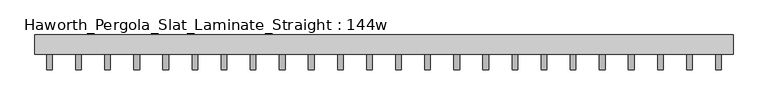
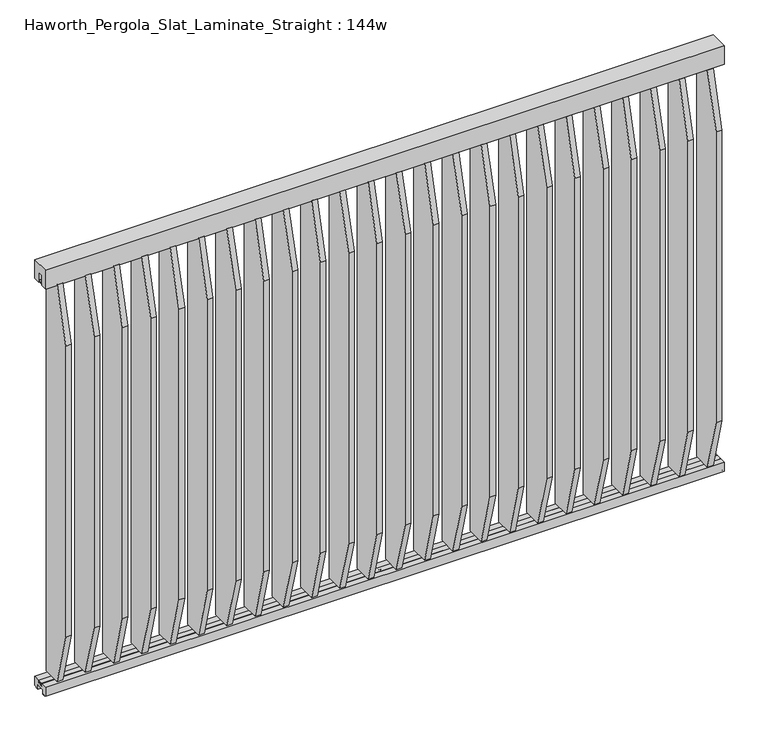
"""IFC4 building model written with IfcOpenShell, lengths in millimetres: furniture geometry, Haworth_Pergola_Slat_Laminate_Straight : 144w."""

from ifc_helpers import new_model, si_unit, point, frame, frame_2d, origin, place, context, project, spatial, polyline, circle_curve, trimmed, segment, composite_curve, outline, extrude, source, transform, mapped, element, save


def haworth_pergola_slat_laminate_straight_144w_210961f3(model_context):
    return source(origin(), model_context, "Body", "SweptSolid", [
        extrude(outline(polyline([(-50.8, 2438.4), (50.8, 2438.4), (50.8, 2331.8390625), (15.2182948, 2331.8390625), (15.2182948, 2388.7001663), (-15.2182948, 2388.7001663), (-15.2182948, 2331.8390625), (-50.8, 2331.8390625), (-50.8, 2438.4)])), frame((-1790.7, 0.0, 0.0), z_axis=(1.0, 0.0, 0.0), x_axis=(0.0, 1.0, 0.0)), (0.0, 0.0, 1.0), 3657.6),
        extrude(outline(polyline([(-132.3000005, 2029.1656369), (-50.7895063, 2332.0547554), (50.8000016, 2332.0547554), (50.8000016, 68.6766304), (-50.7894893, 68.6766304), (-132.3000005, 371.5656885), (-132.3000005, 2029.1656369)])), frame((1623.3000003, 0.0, 0.0), z_axis=(1.0, 0.0, 0.0), x_axis=(0.0, 1.0, 0.0)), (0.0, 0.0, 1.0), 29.9999997),
        extrude(outline(composite_curve([segment(trimmed(circle_curve(frame_2d((1638.3000001, 1e-07)), 6.0), [point((1632.3000001, 1e-07))], [point((1644.3000001, 1e-07))], False, "CARTESIAN"), True, "CONTINUOUS"), segment(trimmed(circle_curve(frame_2d((1638.3000001, 1e-07)), 6.0), [point((1644.3000001, 1e-07))], [point((1632.3000001, 1e-07))], False, "CARTESIAN"), True, "CONTINUOUS")], self_intersect=False)), frame((0.0, 0.0, 2332.0547554), z_axis=(0.0, 0.0, 1.0), x_axis=(1.0, 0.0, 0.0)), (0.0, 0.0, 1.0), 4.9609375),
        extrude(outline(composite_curve([segment(trimmed(circle_curve(frame_2d((1638.3000001, 1e-07)), 6.0), [point((1632.3000001, 1e-07))], [point((1644.3000001, 1e-07))], False, "CARTESIAN"), True, "CONTINUOUS"), segment(trimmed(circle_curve(frame_2d((1638.3000001, 1e-07)), 6.0), [point((1644.3000001, 1e-07))], [point((1632.3000001, 1e-07))], False, "CARTESIAN"), True, "CONTINUOUS")], self_intersect=False)), frame((0.0, 0.0, 63.7156929), z_axis=(0.0, 0.0, 1.0), x_axis=(1.0, 0.0, 0.0)), (0.0, 0.0, 1.0), 4.9609375),
        extrude(outline(polyline([(-132.3000005, 2029.3813298), (-50.7895063, 2332.2704484), (50.8000016, 2332.2704484), (50.8000016, 68.8923234), (-50.7894893, 68.8923234), (-132.3000005, 371.7813814), (-132.3000005, 2029.3813298)])), frame((1470.9000003, 0.0, 0.0), z_axis=(1.0, 0.0, 0.0), x_axis=(0.0, 1.0, 0.0)), (0.0, 0.0, 1.0), 29.9999997),
        extrude(outline(composite_curve([segment(trimmed(circle_curve(frame_2d((1485.9000001, 1e-07)), 6.0), [point((1479.9000001, 1e-07))], [point((1491.9000001, 1e-07))], False, "CARTESIAN"), True, "CONTINUOUS"), segment(trimmed(circle_curve(frame_2d((1485.9000001, 1e-07)), 6.0), [point((1491.9000001, 1e-07))], [point((1479.9000001, 1e-07))], False, "CARTESIAN"), True, "CONTINUOUS")], self_intersect=False)), frame((0.0, 0.0, 2332.2704484), z_axis=(0.0, 0.0, 1.0), x_axis=(1.0, 0.0, 0.0)), (0.0, 0.0, 1.0), 4.9609375),
        extrude(outline(composite_curve([segment(trimmed(circle_curve(frame_2d((1485.9000001, 1e-07)), 6.0), [point((1479.9000001, 1e-07))], [point((1491.9000001, 1e-07))], False, "CARTESIAN"), True, "CONTINUOUS"), segment(trimmed(circle_curve(frame_2d((1485.9000001, 1e-07)), 6.0), [point((1491.9000001, 1e-07))], [point((1479.9000001, 1e-07))], False, "CARTESIAN"), True, "CONTINUOUS")], self_intersect=False)), frame((0.0, 0.0, 63.9313859), z_axis=(0.0, 0.0, 1.0), x_axis=(1.0, 0.0, 0.0)), (0.0, 0.0, 1.0), 4.9609375),
        extrude(outline(polyline([(-132.3000005, 2029.5970227), (-50.7895063, 2332.4861413), (50.8000016, 2332.4861413), (50.8000016, 69.1080163), (-50.7894893, 69.1080163), (-132.3000005, 371.9970743), (-132.3000005, 2029.5970227)])), frame((1318.5000003, 0.0, 0.0), z_axis=(1.0, 0.0, 0.0), x_axis=(0.0, 1.0, 0.0)), (0.0, 0.0, 1.0), 29.9999997),
        extrude(outline(composite_curve([segment(trimmed(circle_curve(frame_2d((1333.5000001, 1e-07)), 6.0), [point((1327.5000001, 1e-07))], [point((1339.5000001, 1e-07))], False, "CARTESIAN"), True, "CONTINUOUS"), segment(trimmed(circle_curve(frame_2d((1333.5000001, 1e-07)), 6.0), [point((1339.5000001, 1e-07))], [point((1327.5000001, 1e-07))], False, "CARTESIAN"), True, "CONTINUOUS")], self_intersect=False)), frame((0.0, 0.0, 2332.4861413), z_axis=(0.0, 0.0, 1.0), x_axis=(1.0, 0.0, 0.0)), (0.0, 0.0, 1.0), 4.9609375),
        extrude(outline(composite_curve([segment(trimmed(circle_curve(frame_2d((1333.5000001, 1e-07)), 6.0), [point((1327.5000001, 1e-07))], [point((1339.5000001, 1e-07))], False, "CARTESIAN"), True, "CONTINUOUS"), segment(trimmed(circle_curve(frame_2d((1333.5000001, 1e-07)), 6.0), [point((1339.5000001, 1e-07))], [point((1327.5000001, 1e-07))], False, "CARTESIAN"), True, "CONTINUOUS")], self_intersect=False)), frame((0.0, 0.0, 64.1470788), z_axis=(0.0, 0.0, 1.0), x_axis=(1.0, 0.0, 0.0)), (0.0, 0.0, 1.0), 4.9609375),
        extrude(outline(polyline([(-132.3000005, 2029.8127157), (-50.7895063, 2332.7018342), (50.8000016, 2332.7018342), (50.8000016, 69.3237092), (-50.7894893, 69.3237092), (-132.3000005, 372.2127673), (-132.3000005, 2029.8127157)])), frame((1166.1000003, 0.0, 0.0), z_axis=(1.0, 0.0, 0.0), x_axis=(0.0, 1.0, 0.0)), (0.0, 0.0, 1.0), 29.9999997),
        extrude(outline(composite_curve([segment(trimmed(circle_curve(frame_2d((1181.1000001, 1e-07)), 6.0), [point((1175.1000001, 1e-07))], [point((1187.1000001, 1e-07))], False, "CARTESIAN"), True, "CONTINUOUS"), segment(trimmed(circle_curve(frame_2d((1181.1000001, 1e-07)), 6.0), [point((1187.1000001, 1e-07))], [point((1175.1000001, 1e-07))], False, "CARTESIAN"), True, "CONTINUOUS")], self_intersect=False)), frame((0.0, 0.0, 2332.7018342), z_axis=(0.0, 0.0, 1.0), x_axis=(1.0, 0.0, 0.0)), (0.0, 0.0, 1.0), 4.9609375),
        extrude(outline(composite_curve([segment(trimmed(circle_curve(frame_2d((1181.1000001, 1e-07)), 6.0), [point((1175.1000001, 1e-07))], [point((1187.1000001, 1e-07))], False, "CARTESIAN"), True, "CONTINUOUS"), segment(trimmed(circle_curve(frame_2d((1181.1000001, 1e-07)), 6.0), [point((1187.1000001, 1e-07))], [point((1175.1000001, 1e-07))], False, "CARTESIAN"), True, "CONTINUOUS")], self_intersect=False)), frame((0.0, 0.0, 64.3627717), z_axis=(0.0, 0.0, 1.0), x_axis=(1.0, 0.0, 0.0)), (0.0, 0.0, 1.0), 4.9609375),
        extrude(outline(polyline([(-132.3000005, 2030.0284086), (-50.7895063, 2332.9175272), (50.8000016, 2332.9175272), (50.8000016, 69.5394022), (-50.7894893, 69.5394022), (-132.3000005, 372.4284602), (-132.3000005, 2030.0284086)])), frame((1013.7000003, 0.0, 0.0), z_axis=(1.0, 0.0, 0.0), x_axis=(0.0, 1.0, 0.0)), (0.0, 0.0, 1.0), 29.9999997),
        extrude(outline(composite_curve([segment(trimmed(circle_curve(frame_2d((1028.7000001, 1e-07)), 6.0), [point((1022.7000001, 1e-07))], [point((1034.7000001, 1e-07))], False, "CARTESIAN"), True, "CONTINUOUS"), segment(trimmed(circle_curve(frame_2d((1028.7000001, 1e-07)), 6.0), [point((1034.7000001, 1e-07))], [point((1022.7000001, 1e-07))], False, "CARTESIAN"), True, "CONTINUOUS")], self_intersect=False)), frame((0.0, 0.0, 2332.9175272), z_axis=(0.0, 0.0, 1.0), x_axis=(1.0, 0.0, 0.0)), (0.0, 0.0, 1.0), 4.9609375),
        extrude(outline(composite_curve([segment(trimmed(circle_curve(frame_2d((1028.7000001, 1e-07)), 6.0), [point((1022.7000001, 1e-07))], [point((1034.7000001, 1e-07))], False, "CARTESIAN"), True, "CONTINUOUS"), segment(trimmed(circle_curve(frame_2d((1028.7000001, 1e-07)), 6.0), [point((1034.7000001, 1e-07))], [point((1022.7000001, 1e-07))], False, "CARTESIAN"), True, "CONTINUOUS")], self_intersect=False)), frame((0.0, 0.0, 64.5784647), z_axis=(0.0, 0.0, 1.0), x_axis=(1.0, 0.0, 0.0)), (0.0, 0.0, 1.0), 4.9609375),
        extrude(outline(polyline([(-132.3000005, 2030.2441015), (-50.7895063, 2333.1332201), (50.8000016, 2333.1332201), (50.8000016, 69.7550951), (-50.7894893, 69.7550951), (-132.3000005, 372.6441531), (-132.3000005, 2030.2441015)])), frame((861.3000003, 0.0, 0.0), z_axis=(1.0, 0.0, 0.0), x_axis=(0.0, 1.0, 0.0)), (0.0, 0.0, 1.0), 29.9999997),
        extrude(outline(composite_curve([segment(trimmed(circle_curve(frame_2d((876.3000001, 1e-07)), 6.0), [point((870.3000001, 1e-07))], [point((882.3000001, 1e-07))], False, "CARTESIAN"), True, "CONTINUOUS"), segment(trimmed(circle_curve(frame_2d((876.3000001, 1e-07)), 6.0), [point((882.3000001, 1e-07))], [point((870.3000001, 1e-07))], False, "CARTESIAN"), True, "CONTINUOUS")], self_intersect=False)), frame((0.0, 0.0, 2333.1332201), z_axis=(0.0, 0.0, 1.0), x_axis=(1.0, 0.0, 0.0)), (0.0, 0.0, 1.0), 4.9609375),
        extrude(outline(composite_curve([segment(trimmed(circle_curve(frame_2d((876.3000001, 1e-07)), 6.0), [point((870.3000001, 1e-07))], [point((882.3000001, 1e-07))], False, "CARTESIAN"), True, "CONTINUOUS"), segment(trimmed(circle_curve(frame_2d((876.3000001, 1e-07)), 6.0), [point((882.3000001, 1e-07))], [point((870.3000001, 1e-07))], False, "CARTESIAN"), True, "CONTINUOUS")], self_intersect=False)), frame((0.0, 0.0, 64.7941576), z_axis=(0.0, 0.0, 1.0), x_axis=(1.0, 0.0, 0.0)), (0.0, 0.0, 1.0), 4.9609375),
        extrude(outline(polyline([(-132.3000005, 2030.4597945), (-50.7895063, 2333.348913), (50.8000016, 2333.348913), (50.8000016, 69.970788), (-50.7894893, 69.970788), (-132.3000005, 372.8598461), (-132.3000005, 2030.4597945)])), frame((708.9000003, 0.0, 0.0), z_axis=(1.0, 0.0, 0.0), x_axis=(0.0, 1.0, 0.0)), (0.0, 0.0, 1.0), 29.9999997),
        extrude(outline(composite_curve([segment(trimmed(circle_curve(frame_2d((723.9000001, 1e-07)), 6.0), [point((717.9000001, 1e-07))], [point((729.9000001, 1e-07))], False, "CARTESIAN"), True, "CONTINUOUS"), segment(trimmed(circle_curve(frame_2d((723.9000001, 1e-07)), 6.0), [point((729.9000001, 1e-07))], [point((717.9000001, 1e-07))], False, "CARTESIAN"), True, "CONTINUOUS")], self_intersect=False)), frame((0.0, 0.0, 2333.348913), z_axis=(0.0, 0.0, 1.0), x_axis=(1.0, 0.0, 0.0)), (0.0, 0.0, 1.0), 4.9609375),
        extrude(outline(composite_curve([segment(trimmed(circle_curve(frame_2d((723.9000001, 1e-07)), 6.0), [point((717.9000001, 1e-07))], [point((729.9000001, 1e-07))], False, "CARTESIAN"), True, "CONTINUOUS"), segment(trimmed(circle_curve(frame_2d((723.9000001, 1e-07)), 6.0), [point((729.9000001, 1e-07))], [point((717.9000001, 1e-07))], False, "CARTESIAN"), True, "CONTINUOUS")], self_intersect=False)), frame((0.0, 0.0, 65.0098505), z_axis=(0.0, 0.0, 1.0), x_axis=(1.0, 0.0, 0.0)), (0.0, 0.0, 1.0), 4.9609375),
        extrude(outline(polyline([(-132.3000005, 2030.6754874), (-50.7895063, 2333.564606), (50.8000016, 2333.564606), (50.8000016, 70.186481), (-50.7894893, 70.186481), (-132.3000005, 373.075539), (-132.3000005, 2030.6754874)])), frame((556.5000003, 0.0, 0.0), z_axis=(1.0, 0.0, 0.0), x_axis=(0.0, 1.0, 0.0)), (0.0, 0.0, 1.0), 29.9999997),
        extrude(outline(composite_curve([segment(trimmed(circle_curve(frame_2d((571.5000001, 1e-07)), 6.0), [point((565.5000001, 1e-07))], [point((577.5000001, 1e-07))], False, "CARTESIAN"), True, "CONTINUOUS"), segment(trimmed(circle_curve(frame_2d((571.5000001, 1e-07)), 6.0), [point((577.5000001, 1e-07))], [point((565.5000001, 1e-07))], False, "CARTESIAN"), True, "CONTINUOUS")], self_intersect=False)), frame((0.0, 0.0, 2333.564606), z_axis=(0.0, 0.0, 1.0), x_axis=(1.0, 0.0, 0.0)), (0.0, 0.0, 1.0), 4.9609375),
        extrude(outline(composite_curve([segment(trimmed(circle_curve(frame_2d((571.5000001, 1e-07)), 6.0), [point((565.5000001, 1e-07))], [point((577.5000001, 1e-07))], False, "CARTESIAN"), True, "CONTINUOUS"), segment(trimmed(circle_curve(frame_2d((571.5000001, 1e-07)), 6.0), [point((577.5000001, 1e-07))], [point((565.5000001, 1e-07))], False, "CARTESIAN"), True, "CONTINUOUS")], self_intersect=False)), frame((0.0, 0.0, 65.2255435), z_axis=(0.0, 0.0, 1.0), x_axis=(1.0, 0.0, 0.0)), (0.0, 0.0, 1.0), 4.9609375),
        extrude(outline(polyline([(-132.3000005, 2030.8911803), (-50.7895063, 2333.7802989), (50.8000016, 2333.7802989), (50.8000016, 70.4021739), (-50.7894893, 70.4021739), (-132.3000005, 373.2912319), (-132.3000005, 2030.8911803)])), frame((404.1000003, 0.0, 0.0), z_axis=(1.0, 0.0, 0.0), x_axis=(0.0, 1.0, 0.0)), (0.0, 0.0, 1.0), 29.9999997),
        extrude(outline(composite_curve([segment(trimmed(circle_curve(frame_2d((419.1000001, 1e-07)), 6.0), [point((413.1000001, 1e-07))], [point((425.1000001, 1e-07))], False, "CARTESIAN"), True, "CONTINUOUS"), segment(trimmed(circle_curve(frame_2d((419.1000001, 1e-07)), 6.0), [point((425.1000001, 1e-07))], [point((413.1000001, 1e-07))], False, "CARTESIAN"), True, "CONTINUOUS")], self_intersect=False)), frame((0.0, 0.0, 2333.7802989), z_axis=(0.0, 0.0, 1.0), x_axis=(1.0, 0.0, 0.0)), (0.0, 0.0, 1.0), 4.9609375),
        extrude(outline(composite_curve([segment(trimmed(circle_curve(frame_2d((419.1000001, 1e-07)), 6.0), [point((413.1000001, 1e-07))], [point((425.1000001, 1e-07))], False, "CARTESIAN"), True, "CONTINUOUS"), segment(trimmed(circle_curve(frame_2d((419.1000001, 1e-07)), 6.0), [point((425.1000001, 1e-07))], [point((413.1000001, 1e-07))], False, "CARTESIAN"), True, "CONTINUOUS")], self_intersect=False)), frame((0.0, 0.0, 65.4412364), z_axis=(0.0, 0.0, 1.0), x_axis=(1.0, 0.0, 0.0)), (0.0, 0.0, 1.0), 4.9609375),
        extrude(outline(polyline([(-132.3000005, 2031.1068733), (-50.7895063, 2333.9959918), (50.8000016, 2333.9959918), (50.8000016, 70.6178668), (-50.7894893, 70.6178668), (-132.3000005, 373.5069249), (-132.3000005, 2031.1068733)])), frame((251.7000003, 0.0, 0.0), z_axis=(1.0, 0.0, 0.0), x_axis=(0.0, 1.0, 0.0)), (0.0, 0.0, 1.0), 29.9999997),
        extrude(outline(composite_curve([segment(trimmed(circle_curve(frame_2d((266.7000001, 1e-07)), 6.0), [point((260.7000001, 1e-07))], [point((272.7000001, 1e-07))], False, "CARTESIAN"), True, "CONTINUOUS"), segment(trimmed(circle_curve(frame_2d((266.7000001, 1e-07)), 6.0), [point((272.7000001, 1e-07))], [point((260.7000001, 1e-07))], False, "CARTESIAN"), True, "CONTINUOUS")], self_intersect=False)), frame((0.0, 0.0, 2333.9959918), z_axis=(0.0, 0.0, 1.0), x_axis=(1.0, 0.0, 0.0)), (0.0, 0.0, 1.0), 4.9609375),
        extrude(outline(composite_curve([segment(trimmed(circle_curve(frame_2d((266.7000001, 1e-07)), 6.0), [point((260.7000001, 1e-07))], [point((272.7000001, 1e-07))], False, "CARTESIAN"), True, "CONTINUOUS"), segment(trimmed(circle_curve(frame_2d((266.7000001, 1e-07)), 6.0), [point((272.7000001, 1e-07))], [point((260.7000001, 1e-07))], False, "CARTESIAN"), True, "CONTINUOUS")], self_intersect=False)), frame((0.0, 0.0, 65.6569293), z_axis=(0.0, 0.0, 1.0), x_axis=(1.0, 0.0, 0.0)), (0.0, 0.0, 1.0), 4.9609375),
        extrude(outline(polyline([(-132.3000005, 2031.3225662), (-50.7895063, 2334.2116848), (50.8000016, 2334.2116848), (50.8000016, 70.8335598), (-50.7894893, 70.8335598), (-132.3000005, 373.7226178), (-132.3000005, 2031.3225662)])), frame((99.3000003, 0.0, 0.0), z_axis=(1.0, 0.0, 0.0), x_axis=(0.0, 1.0, 0.0)), (0.0, 0.0, 1.0), 29.9999997),
        extrude(outline(composite_curve([segment(trimmed(circle_curve(frame_2d((114.3000001, 1e-07)), 6.0), [point((108.3000001, 1e-07))], [point((120.3000001, 1e-07))], False, "CARTESIAN"), True, "CONTINUOUS"), segment(trimmed(circle_curve(frame_2d((114.3000001, 1e-07)), 6.0), [point((120.3000001, 1e-07))], [point((108.3000001, 1e-07))], False, "CARTESIAN"), True, "CONTINUOUS")], self_intersect=False)), frame((0.0, 0.0, 2334.2116848), z_axis=(0.0, 0.0, 1.0), x_axis=(1.0, 0.0, 0.0)), (0.0, 0.0, 1.0), 4.9609375),
        extrude(outline(composite_curve([segment(trimmed(circle_curve(frame_2d((114.3000001, 1e-07)), 6.0), [point((108.3000001, 1e-07))], [point((120.3000001, 1e-07))], False, "CARTESIAN"), True, "CONTINUOUS"), segment(trimmed(circle_curve(frame_2d((114.3000001, 1e-07)), 6.0), [point((120.3000001, 1e-07))], [point((108.3000001, 1e-07))], False, "CARTESIAN"), True, "CONTINUOUS")], self_intersect=False)), frame((0.0, 0.0, 65.8726223), z_axis=(0.0, 0.0, 1.0), x_axis=(1.0, 0.0, 0.0)), (0.0, 0.0, 1.0), 4.9609375),
        extrude(outline(polyline([(-132.3000005, 2031.5382591), (-50.7895063, 2334.4273777), (50.8000016, 2334.4273777), (50.8000016, 71.0492527), (-50.7894893, 71.0492527), (-132.3000005, 373.9383107), (-132.3000005, 2031.5382591)])), frame((-53.0999997, 0.0, 0.0), z_axis=(1.0, 0.0, 0.0), x_axis=(0.0, 1.0, 0.0)), (0.0, 0.0, 1.0), 29.9999997),
        extrude(outline(composite_curve([segment(trimmed(circle_curve(frame_2d((-38.0999999, 1e-07)), 6.0), [point((-44.0999999, 1e-07))], [point((-32.0999999, 1e-07))], False, "CARTESIAN"), True, "CONTINUOUS"), segment(trimmed(circle_curve(frame_2d((-38.0999999, 1e-07)), 6.0), [point((-32.0999999, 1e-07))], [point((-44.0999999, 1e-07))], False, "CARTESIAN"), True, "CONTINUOUS")], self_intersect=False)), frame((0.0, 0.0, 2334.4273777), z_axis=(0.0, 0.0, 1.0), x_axis=(1.0, 0.0, 0.0)), (0.0, 0.0, 1.0), 4.9609375),
        extrude(outline(composite_curve([segment(trimmed(circle_curve(frame_2d((-38.0999999, 1e-07)), 6.0), [point((-44.0999999, 1e-07))], [point((-32.0999999, 1e-07))], False, "CARTESIAN"), True, "CONTINUOUS"), segment(trimmed(circle_curve(frame_2d((-38.0999999, 1e-07)), 6.0), [point((-32.0999999, 1e-07))], [point((-44.0999999, 1e-07))], False, "CARTESIAN"), True, "CONTINUOUS")], self_intersect=False)), frame((0.0, 0.0, 66.0883152), z_axis=(0.0, 0.0, 1.0), x_axis=(1.0, 0.0, 0.0)), (0.0, 0.0, 1.0), 4.9609375),
        extrude(outline(polyline([(-132.3000005, 2031.7539521), (-50.7895063, 2334.6430707), (50.8000016, 2334.6430707), (50.8000016, 71.2649457), (-50.7894893, 71.2649457), (-132.3000005, 374.1540037), (-132.3000005, 2031.7539521)])), frame((-205.4999997, 0.0, 0.0), z_axis=(1.0, 0.0, 0.0), x_axis=(0.0, 1.0, 0.0)), (0.0, 0.0, 1.0), 29.9999997),
        extrude(outline(composite_curve([segment(trimmed(circle_curve(frame_2d((-190.4999999, 1e-07)), 6.0), [point((-196.4999999, 1e-07))], [point((-184.4999999, 1e-07))], False, "CARTESIAN"), True, "CONTINUOUS"), segment(trimmed(circle_curve(frame_2d((-190.4999999, 1e-07)), 6.0), [point((-184.4999999, 1e-07))], [point((-196.4999999, 1e-07))], False, "CARTESIAN"), True, "CONTINUOUS")], self_intersect=False)), frame((0.0, 0.0, 2334.6430707), z_axis=(0.0, 0.0, 1.0), x_axis=(1.0, 0.0, 0.0)), (0.0, 0.0, 1.0), 4.9609375),
        extrude(outline(composite_curve([segment(trimmed(circle_curve(frame_2d((-190.4999999, 1e-07)), 6.0), [point((-196.4999999, 1e-07))], [point((-184.4999999, 1e-07))], False, "CARTESIAN"), True, "CONTINUOUS"), segment(trimmed(circle_curve(frame_2d((-190.4999999, 1e-07)), 6.0), [point((-184.4999999, 1e-07))], [point((-196.4999999, 1e-07))], False, "CARTESIAN"), True, "CONTINUOUS")], self_intersect=False)), frame((0.0, 0.0, 66.3040082), z_axis=(0.0, 0.0, 1.0), x_axis=(1.0, 0.0, 0.0)), (0.0, 0.0, 1.0), 4.9609375),
        extrude(outline(polyline([(-132.3000005, 2031.969645), (-50.7895063, 2334.8587636), (50.8000016, 2334.8587636), (50.8000016, 71.4806386), (-50.7894893, 71.4806386), (-132.3000005, 374.3696966), (-132.3000005, 2031.969645)])), frame((-357.8999997, 0.0, 0.0), z_axis=(1.0, 0.0, 0.0), x_axis=(0.0, 1.0, 0.0)), (0.0, 0.0, 1.0), 29.9999997),
        extrude(outline(composite_curve([segment(trimmed(circle_curve(frame_2d((-342.8999999, 1e-07)), 6.0), [point((-348.8999999, 1e-07))], [point((-336.8999999, 1e-07))], False, "CARTESIAN"), True, "CONTINUOUS"), segment(trimmed(circle_curve(frame_2d((-342.8999999, 1e-07)), 6.0), [point((-336.8999999, 1e-07))], [point((-348.8999999, 1e-07))], False, "CARTESIAN"), True, "CONTINUOUS")], self_intersect=False)), frame((0.0, 0.0, 2334.8587636), z_axis=(0.0, 0.0, 1.0), x_axis=(1.0, 0.0, 0.0)), (0.0, 0.0, 1.0), 4.9609375),
        extrude(outline(composite_curve([segment(trimmed(circle_curve(frame_2d((-342.8999999, 1e-07)), 6.0), [point((-348.8999999, 1e-07))], [point((-336.8999999, 1e-07))], False, "CARTESIAN"), True, "CONTINUOUS"), segment(trimmed(circle_curve(frame_2d((-342.8999999, 1e-07)), 6.0), [point((-336.8999999, 1e-07))], [point((-348.8999999, 1e-07))], False, "CARTESIAN"), True, "CONTINUOUS")], self_intersect=False)), frame((0.0, 0.0, 66.5197011), z_axis=(0.0, 0.0, 1.0), x_axis=(1.0, 0.0, 0.0)), (0.0, 0.0, 1.0), 4.9609375),
        extrude(outline(polyline([(-132.3000005, 2032.1853379), (-50.7895063, 2335.0744565), (50.8000016, 2335.0744565), (50.8000016, 71.6963315), (-50.7894893, 71.6963315), (-132.3000005, 374.5853895), (-132.3000005, 2032.1853379)])), frame((-510.2999997, 0.0, 0.0), z_axis=(1.0, 0.0, 0.0), x_axis=(0.0, 1.0, 0.0)), (0.0, 0.0, 1.0), 29.9999997),
        extrude(outline(composite_curve([segment(trimmed(circle_curve(frame_2d((-495.2999999, 1e-07)), 6.0), [point((-501.2999999, 1e-07))], [point((-489.2999999, 1e-07))], False, "CARTESIAN"), True, "CONTINUOUS"), segment(trimmed(circle_curve(frame_2d((-495.2999999, 1e-07)), 6.0), [point((-489.2999999, 1e-07))], [point((-501.2999999, 1e-07))], False, "CARTESIAN"), True, "CONTINUOUS")], self_intersect=False)), frame((0.0, 0.0, 2335.0744565), z_axis=(0.0, 0.0, 1.0), x_axis=(1.0, 0.0, 0.0)), (0.0, 0.0, 1.0), 4.9609375),
        extrude(outline(composite_curve([segment(trimmed(circle_curve(frame_2d((-495.2999999, 1e-07)), 6.0), [point((-501.2999999, 1e-07))], [point((-489.2999999, 1e-07))], False, "CARTESIAN"), True, "CONTINUOUS"), segment(trimmed(circle_curve(frame_2d((-495.2999999, 1e-07)), 6.0), [point((-489.2999999, 1e-07))], [point((-501.2999999, 1e-07))], False, "CARTESIAN"), True, "CONTINUOUS")], self_intersect=False)), frame((0.0, 0.0, 66.735394), z_axis=(0.0, 0.0, 1.0), x_axis=(1.0, 0.0, 0.0)), (0.0, 0.0, 1.0), 4.9609375),
        extrude(outline(polyline([(-132.3000005, 2032.4010309), (-50.7895063, 2335.2901495), (50.8000016, 2335.2901495), (50.8000016, 71.9120245), (-50.7894893, 71.9120245), (-132.3000005, 374.8010825), (-132.3000005, 2032.4010309)])), frame((-662.6999997, 0.0, 0.0), z_axis=(1.0, 0.0, 0.0), x_axis=(0.0, 1.0, 0.0)), (0.0, 0.0, 1.0), 29.9999997),
        extrude(outline(composite_curve([segment(trimmed(circle_curve(frame_2d((-647.6999999, 1e-07)), 6.0), [point((-653.6999999, 1e-07))], [point((-641.6999999, 1e-07))], False, "CARTESIAN"), True, "CONTINUOUS"), segment(trimmed(circle_curve(frame_2d((-647.6999999, 1e-07)), 6.0), [point((-641.6999999, 1e-07))], [point((-653.6999999, 1e-07))], False, "CARTESIAN"), True, "CONTINUOUS")], self_intersect=False)), frame((0.0, 0.0, 2335.2901495), z_axis=(0.0, 0.0, 1.0), x_axis=(1.0, 0.0, 0.0)), (0.0, 0.0, 1.0), 4.9609375),
        extrude(outline(composite_curve([segment(trimmed(circle_curve(frame_2d((-647.6999999, 1e-07)), 6.0), [point((-653.6999999, 1e-07))], [point((-641.6999999, 1e-07))], False, "CARTESIAN"), True, "CONTINUOUS"), segment(trimmed(circle_curve(frame_2d((-647.6999999, 1e-07)), 6.0), [point((-641.6999999, 1e-07))], [point((-653.6999999, 1e-07))], False, "CARTESIAN"), True, "CONTINUOUS")], self_intersect=False)), frame((0.0, 0.0, 66.951087), z_axis=(0.0, 0.0, 1.0), x_axis=(1.0, 0.0, 0.0)), (0.0, 0.0, 1.0), 4.9609375),
        extrude(outline(polyline([(-132.3000005, 2032.6167238), (-50.7895063, 2335.5058424), (50.8000016, 2335.5058424), (50.8000016, 72.1277174), (-50.7894893, 72.1277174), (-132.3000005, 375.0167754), (-132.3000005, 2032.6167238)])), frame((-815.0999997, 0.0, 0.0), z_axis=(1.0, 0.0, 0.0), x_axis=(0.0, 1.0, 0.0)), (0.0, 0.0, 1.0), 29.9999997),
        extrude(outline(composite_curve([segment(trimmed(circle_curve(frame_2d((-800.0999999, 1e-07)), 6.0), [point((-806.0999999, 1e-07))], [point((-794.0999999, 1e-07))], False, "CARTESIAN"), True, "CONTINUOUS"), segment(trimmed(circle_curve(frame_2d((-800.0999999, 1e-07)), 6.0), [point((-794.0999999, 1e-07))], [point((-806.0999999, 1e-07))], False, "CARTESIAN"), True, "CONTINUOUS")], self_intersect=False)), frame((0.0, 0.0, 2335.5058424), z_axis=(0.0, 0.0, 1.0), x_axis=(1.0, 0.0, 0.0)), (0.0, 0.0, 1.0), 4.9609375),
        extrude(outline(composite_curve([segment(trimmed(circle_curve(frame_2d((-800.0999999, 1e-07)), 6.0), [point((-806.0999999, 1e-07))], [point((-794.0999999, 1e-07))], False, "CARTESIAN"), True, "CONTINUOUS"), segment(trimmed(circle_curve(frame_2d((-800.0999999, 1e-07)), 6.0), [point((-794.0999999, 1e-07))], [point((-806.0999999, 1e-07))], False, "CARTESIAN"), True, "CONTINUOUS")], self_intersect=False)), frame((0.0, 0.0, 67.1667799), z_axis=(0.0, 0.0, 1.0), x_axis=(1.0, 0.0, 0.0)), (0.0, 0.0, 1.0), 4.9609375),
        extrude(outline(polyline([(-132.3000005, 2032.8324168), (-50.7895063, 2335.7215353), (50.8000016, 2335.7215353), (50.8000016, 72.3434103), (-50.7894893, 72.3434103), (-132.3000005, 375.2324683), (-132.3000005, 2032.8324168)])), frame((-967.4999997, 0.0, 0.0), z_axis=(1.0, 0.0, 0.0), x_axis=(0.0, 1.0, 0.0)), (0.0, 0.0, 1.0), 29.9999997),
        extrude(outline(composite_curve([segment(trimmed(circle_curve(frame_2d((-952.4999999, 1e-07)), 6.0), [point((-958.4999999, 1e-07))], [point((-946.4999999, 1e-07))], False, "CARTESIAN"), True, "CONTINUOUS"), segment(trimmed(circle_curve(frame_2d((-952.4999999, 1e-07)), 6.0), [point((-946.4999999, 1e-07))], [point((-958.4999999, 1e-07))], False, "CARTESIAN"), True, "CONTINUOUS")], self_intersect=False)), frame((0.0, 0.0, 2335.7215353), z_axis=(0.0, 0.0, 1.0), x_axis=(1.0, 0.0, 0.0)), (0.0, 0.0, 1.0), 4.9609375),
        extrude(outline(composite_curve([segment(trimmed(circle_curve(frame_2d((-952.4999999, 1e-07)), 6.0), [point((-958.4999999, 1e-07))], [point((-946.4999999, 1e-07))], False, "CARTESIAN"), True, "CONTINUOUS"), segment(trimmed(circle_curve(frame_2d((-952.4999999, 1e-07)), 6.0), [point((-946.4999999, 1e-07))], [point((-958.4999999, 1e-07))], False, "CARTESIAN"), True, "CONTINUOUS")], self_intersect=False)), frame((0.0, 0.0, 67.3824728), z_axis=(0.0, 0.0, 1.0), x_axis=(1.0, 0.0, 0.0)), (0.0, 0.0, 1.0), 4.9609375),
        extrude(outline(polyline([(-132.3000005, 2033.0481097), (-50.7895063, 2335.9372283), (50.8000016, 2335.9372283), (50.8000016, 72.5591033), (-50.7894893, 72.5591033), (-132.3000005, 375.4481613), (-132.3000005, 2033.0481097)])), frame((-1119.8999997, 0.0, 0.0), z_axis=(1.0, 0.0, 0.0), x_axis=(0.0, 1.0, 0.0)), (0.0, 0.0, 1.0), 29.9999997),
        extrude(outline(composite_curve([segment(trimmed(circle_curve(frame_2d((-1104.8999999, 1e-07)), 6.0), [point((-1110.8999999, 1e-07))], [point((-1098.8999999, 1e-07))], False, "CARTESIAN"), True, "CONTINUOUS"), segment(trimmed(circle_curve(frame_2d((-1104.8999999, 1e-07)), 6.0), [point((-1098.8999999, 1e-07))], [point((-1110.8999999, 1e-07))], False, "CARTESIAN"), True, "CONTINUOUS")], self_intersect=False)), frame((0.0, 0.0, 2335.9372283), z_axis=(0.0, 0.0, 1.0), x_axis=(1.0, 0.0, 0.0)), (0.0, 0.0, 1.0), 4.9609375),
        extrude(outline(composite_curve([segment(trimmed(circle_curve(frame_2d((-1104.8999999, 1e-07)), 6.0), [point((-1110.8999999, 1e-07))], [point((-1098.8999999, 1e-07))], False, "CARTESIAN"), True, "CONTINUOUS"), segment(trimmed(circle_curve(frame_2d((-1104.8999999, 1e-07)), 6.0), [point((-1098.8999999, 1e-07))], [point((-1110.8999999, 1e-07))], False, "CARTESIAN"), True, "CONTINUOUS")], self_intersect=False)), frame((0.0, 0.0, 67.5981658), z_axis=(0.0, 0.0, 1.0), x_axis=(1.0, 0.0, 0.0)), (0.0, 0.0, 1.0), 4.9609375),
        extrude(outline(polyline([(-132.3000005, 2033.2638026), (-50.7895063, 2336.1529212), (50.8000016, 2336.1529212), (50.8000016, 72.7747962), (-50.7894893, 72.7747962), (-132.3000005, 375.6638542), (-132.3000005, 2033.2638026)])), frame((-1272.2999997, 0.0, 0.0), z_axis=(1.0, 0.0, 0.0), x_axis=(0.0, 1.0, 0.0)), (0.0, 0.0, 1.0), 29.9999997),
        extrude(outline(composite_curve([segment(trimmed(circle_curve(frame_2d((-1257.2999999, 1e-07)), 6.0), [point((-1263.2999999, 1e-07))], [point((-1251.2999999, 1e-07))], False, "CARTESIAN"), True, "CONTINUOUS"), segment(trimmed(circle_curve(frame_2d((-1257.2999999, 1e-07)), 6.0), [point((-1251.2999999, 1e-07))], [point((-1263.2999999, 1e-07))], False, "CARTESIAN"), True, "CONTINUOUS")], self_intersect=False)), frame((0.0, 0.0, 2336.1529212), z_axis=(0.0, 0.0, 1.0), x_axis=(1.0, 0.0, 0.0)), (0.0, 0.0, 1.0), 4.9609375),
        extrude(outline(composite_curve([segment(trimmed(circle_curve(frame_2d((-1257.2999999, 1e-07)), 6.0), [point((-1263.2999999, 1e-07))], [point((-1251.2999999, 1e-07))], False, "CARTESIAN"), True, "CONTINUOUS"), segment(trimmed(circle_curve(frame_2d((-1257.2999999, 1e-07)), 6.0), [point((-1251.2999999, 1e-07))], [point((-1263.2999999, 1e-07))], False, "CARTESIAN"), True, "CONTINUOUS")], self_intersect=False)), frame((0.0, 0.0, 67.8138587), z_axis=(0.0, 0.0, 1.0), x_axis=(1.0, 0.0, 0.0)), (0.0, 0.0, 1.0), 4.9609375),
        extrude(outline(polyline([(-132.3000005, 2033.4794956), (-50.7895063, 2336.3686141), (50.8000016, 2336.3686141), (50.8000016, 72.9904891), (-50.7894893, 72.9904891), (-132.3000005, 375.8795471), (-132.3000005, 2033.4794956)])), frame((-1424.6999997, 0.0, 0.0), z_axis=(1.0, 0.0, 0.0), x_axis=(0.0, 1.0, 0.0)), (0.0, 0.0, 1.0), 29.9999997),
        extrude(outline(composite_curve([segment(trimmed(circle_curve(frame_2d((-1409.6999999, 1e-07)), 6.0), [point((-1415.6999999, 1e-07))], [point((-1403.6999999, 1e-07))], False, "CARTESIAN"), True, "CONTINUOUS"), segment(trimmed(circle_curve(frame_2d((-1409.6999999, 1e-07)), 6.0), [point((-1403.6999999, 1e-07))], [point((-1415.6999999, 1e-07))], False, "CARTESIAN"), True, "CONTINUOUS")], self_intersect=False)), frame((0.0, 0.0, 2336.3686141), z_axis=(0.0, 0.0, 1.0), x_axis=(1.0, 0.0, 0.0)), (0.0, 0.0, 1.0), 4.9609375),
        extrude(outline(composite_curve([segment(trimmed(circle_curve(frame_2d((-1409.6999999, 1e-07)), 6.0), [point((-1415.6999999, 1e-07))], [point((-1403.6999999, 1e-07))], False, "CARTESIAN"), True, "CONTINUOUS"), segment(trimmed(circle_curve(frame_2d((-1409.6999999, 1e-07)), 6.0), [point((-1403.6999999, 1e-07))], [point((-1415.6999999, 1e-07))], False, "CARTESIAN"), True, "CONTINUOUS")], self_intersect=False)), frame((0.0, 0.0, 68.0295516), z_axis=(0.0, 0.0, 1.0), x_axis=(1.0, 0.0, 0.0)), (0.0, 0.0, 1.0), 4.9609375),
        extrude(outline(polyline([(-132.3000005, 2033.6951885), (-50.7895063, 2336.5843071), (50.8000016, 2336.5843071), (50.8000016, 73.2061821), (-50.7894893, 73.2061821), (-132.3000005, 376.0952401), (-132.3000005, 2033.6951885)])), frame((-1577.0999997, 0.0, 0.0), z_axis=(1.0, 0.0, 0.0), x_axis=(0.0, 1.0, 0.0)), (0.0, 0.0, 1.0), 29.9999997),
        extrude(outline(composite_curve([segment(trimmed(circle_curve(frame_2d((-1562.0999999, 1e-07)), 6.0), [point((-1568.0999999, 1e-07))], [point((-1556.0999999, 1e-07))], False, "CARTESIAN"), True, "CONTINUOUS"), segment(trimmed(circle_curve(frame_2d((-1562.0999999, 1e-07)), 6.0), [point((-1556.0999999, 1e-07))], [point((-1568.0999999, 1e-07))], False, "CARTESIAN"), True, "CONTINUOUS")], self_intersect=False)), frame((0.0, 0.0, 2336.5843071), z_axis=(0.0, 0.0, 1.0), x_axis=(1.0, 0.0, 0.0)), (0.0, 0.0, 1.0), 4.9609375),
        extrude(outline(composite_curve([segment(trimmed(circle_curve(frame_2d((-1562.0999999, 1e-07)), 6.0), [point((-1568.0999999, 1e-07))], [point((-1556.0999999, 1e-07))], False, "CARTESIAN"), True, "CONTINUOUS"), segment(trimmed(circle_curve(frame_2d((-1562.0999999, 1e-07)), 6.0), [point((-1556.0999999, 1e-07))], [point((-1568.0999999, 1e-07))], False, "CARTESIAN"), True, "CONTINUOUS")], self_intersect=False)), frame((0.0, 0.0, 68.2452446), z_axis=(0.0, 0.0, 1.0), x_axis=(1.0, 0.0, 0.0)), (0.0, 0.0, 1.0), 4.9609375),
        extrude(outline(polyline([(-132.3000005, 2028.9499439), (-50.7895063, 2331.8390625), (50.8000016, 2331.8390625), (50.8000016, 68.4609375), (-50.7894893, 68.4609375), (-132.3000005, 371.3499955), (-132.3000005, 2028.9499439)])), frame((1775.7000003, 0.0, 0.0), z_axis=(1.0, 0.0, 0.0), x_axis=(0.0, 1.0, 0.0)), (0.0, 0.0, 1.0), 29.9999997),
        extrude(outline(composite_curve([segment(trimmed(circle_curve(frame_2d((1790.7000001, 1e-07)), 6.0), [point((1784.7000001, 1e-07))], [point((1796.7000001, 1e-07))], False, "CARTESIAN"), True, "CONTINUOUS"), segment(trimmed(circle_curve(frame_2d((1790.7000001, 1e-07)), 6.0), [point((1796.7000001, 1e-07))], [point((1784.7000001, 1e-07))], False, "CARTESIAN"), True, "CONTINUOUS")], self_intersect=False)), frame((0.0, 0.0, 2331.8390625), z_axis=(0.0, 0.0, 1.0), x_axis=(1.0, 0.0, 0.0)), (0.0, 0.0, 1.0), 4.9609375),
        extrude(outline(composite_curve([segment(trimmed(circle_curve(frame_2d((1790.7000001, 1e-07)), 6.0), [point((1784.7000001, 1e-07))], [point((1796.7000001, 1e-07))], False, "CARTESIAN"), True, "CONTINUOUS"), segment(trimmed(circle_curve(frame_2d((1790.7000001, 1e-07)), 6.0), [point((1796.7000001, 1e-07))], [point((1784.7000001, 1e-07))], False, "CARTESIAN"), True, "CONTINUOUS")], self_intersect=False)), frame((0.0, 0.0, 63.5), z_axis=(0.0, 0.0, 1.0), x_axis=(1.0, 0.0, 0.0)), (0.0, 0.0, 1.0), 4.9609375),
        extrude(outline(polyline([(-132.3000005, 2033.9108814), (-50.7895063, 2336.8), (50.8000016, 2336.8), (50.8000016, 73.421875), (-50.7894893, 73.421875), (-132.3000005, 376.310933), (-132.3000005, 2033.9108814)])), frame((-1729.4999997, 0.0, 0.0), z_axis=(1.0, 0.0, 0.0), x_axis=(0.0, 1.0, 0.0)), (0.0, 0.0, 1.0), 29.9999997),
        extrude(outline(composite_curve([segment(trimmed(circle_curve(frame_2d((-1714.4999999, 1e-07)), 6.0), [point((-1720.4999999, 1e-07))], [point((-1708.4999999, 1e-07))], False, "CARTESIAN"), True, "CONTINUOUS"), segment(trimmed(circle_curve(frame_2d((-1714.4999999, 1e-07)), 6.0), [point((-1708.4999999, 1e-07))], [point((-1720.4999999, 1e-07))], False, "CARTESIAN"), True, "CONTINUOUS")], self_intersect=False)), frame((0.0, 0.0, 2336.8), z_axis=(0.0, 0.0, 1.0), x_axis=(1.0, 0.0, 0.0)), (0.0, 0.0, 1.0), 4.9609375),
        extrude(outline(composite_curve([segment(trimmed(circle_curve(frame_2d((-1714.4999999, 1e-07)), 6.0), [point((-1720.4999999, 1e-07))], [point((-1708.4999999, 1e-07))], False, "CARTESIAN"), True, "CONTINUOUS"), segment(trimmed(circle_curve(frame_2d((-1714.4999999, 1e-07)), 6.0), [point((-1708.4999999, 1e-07))], [point((-1720.4999999, 1e-07))], False, "CARTESIAN"), True, "CONTINUOUS")], self_intersect=False)), frame((0.0, 0.0, 68.4609375), z_axis=(0.0, 0.0, 1.0), x_axis=(1.0, 0.0, 0.0)), (0.0, 0.0, 1.0), 4.9609375),
        extrude(outline(polyline([(-7.8249998, 61.7499993), (-15.2249995, 61.7499993), (-15.2249995, 63.5), (15.2249996, 63.5), (15.2249996, 61.7499999), (13.3999997, 61.7499999), (13.3999997, 50.2499995), (11.8250005, 50.2499995), (11.8250005, 61.7499993), (-4.8250001, 61.7499993), (-4.8250001, 50.0999996), (-7.8249998, 50.0999996), (-7.8249998, 61.7499993)])), frame((-1790.7, 0.0, 0.0), z_axis=(1.0, 0.0, 0.0), x_axis=(0.0, 1.0, 0.0)), (0.0, 0.0, 1.0), 3657.6),
        extrude(outline(polyline([(-16.2000002, 63.5), (-16.5085717, 61.7499999), (-13.3999996, 61.7499999), (-13.3999996, 58.8973461), (-15.4000002, 59.2499999), (-15.4000002, 48.3500004), (15.4000003, 48.3500004), (15.4000003, 59.2499999), (13.3999997, 58.8973461), (13.3999997, 61.7499999), (16.5085718, 61.7499999), (16.2000003, 63.5), (50.0000004, 63.5), (50.0000004, 12.6999985), (40.9499987, 12.6999985), (38.9499981, 10.6999979), (28.9499999, 10.6999979), (28.9499999, 7.6999994), (38.9499981, 7.6999994), (38.9499981, 5.6999988), (23.7499993, 5.6999988), (23.7499993, 31.4500009), (-23.7499992, 31.4500009), (-23.7499992, 5.6999988), (-38.949998, 5.6999988), (-38.949998, 7.6999994), (-28.9499998, 7.6999994), (-28.9499998, 10.6999979), (-38.949998, 10.6999979), (-40.9499986, 12.6999985), (-50.0000003, 12.6999985), (-50.0000003, 63.5), (-16.2000002, 63.5)])), frame((-1790.7, 0.0, 0.0), z_axis=(1.0, 0.0, 0.0), x_axis=(0.0, 1.0, 0.0)), (0.0, 0.0, 1.0), 3657.6),
        extrude(outline(polyline([(7.8249999, 2338.5500385), (15.2249996, 2338.5500385), (15.2249996, 2336.8), (-15.2249995, 2336.8), (-15.2249995, 2338.5500385), (-13.3999996, 2338.5500385), (-13.3999996, 2350.0500633), (-11.8249992, 2350.0500633), (-11.8250004, 2338.5500385), (4.8250002, 2338.5500385), (4.8250002, 2350.2000542), (7.8250005, 2350.2000542), (7.8249999, 2338.5500385)])), frame((-1790.7, 0.0, 0.0), z_axis=(1.0, 0.0, 0.0), x_axis=(0.0, 1.0, 0.0)), (0.0, 0.0, 1.0), 3657.6),
        extrude(outline(composite_curve([segment(trimmed(circle_curve(frame_2d((38.1000001, 1e-07)), 6.0), [point((32.1000001, 1e-07))], [point((44.1000001, 1e-07))], False, "CARTESIAN"), True, "CONTINUOUS"), segment(trimmed(circle_curve(frame_2d((38.1000001, 1e-07)), 6.0), [point((44.1000001, 1e-07))], [point((32.1000001, 1e-07))], False, "CARTESIAN"), True, "CONTINUOUS")], self_intersect=False)), frame((0.0, 0.0, 2319.1390625), z_axis=(0.0, 0.0, 1.0), x_axis=(1.0, 0.0, 0.0)), (0.0, 0.0, 1.0), 17.6609375),
        extrude(outline(composite_curve([segment(trimmed(circle_curve(frame_2d((38.1000001, 1e-07)), 6.0), [point((32.1000001, 1e-07))], [point((44.1000001, 1e-07))], False, "CARTESIAN"), True, "CONTINUOUS"), segment(trimmed(circle_curve(frame_2d((38.1000001, 1e-07)), 6.0), [point((44.1000001, 1e-07))], [point((32.1000001, 1e-07))], False, "CARTESIAN"), True, "CONTINUOUS")], self_intersect=False)), frame((0.0, 0.0, 55.7609375), z_axis=(0.0, 0.0, 1.0), x_axis=(1.0, 0.0, 0.0)), (0.0, 0.0, 1.0), 7.7390625),
    ])


if __name__ == "__main__":
    model = new_model("IFC4")
    model_context = context("Model", 3, world=origin())
    ifc_project = project(units=[si_unit("LENGTHUNIT", "METRE", prefix="MILLI")], contexts=[model_context])
    site = spatial("IfcSite", under=ifc_project)
    building = spatial("IfcBuilding", under=site)
    placement = place(None, origin())
    haworth_pergola_slat_laminate_straight_144w_shape = haworth_pergola_slat_laminate_straight_144w_210961f3(model_context)
    element("IfcFurniture", 1, ObjectType="Haworth_Pergola_Slat_Laminate_Straight : 144w", at=placement, inside=building, context=model_context, shape_type="MappedRepresentation", body=[
        mapped(haworth_pergola_slat_laminate_straight_144w_shape, transform((0.0, 0.0, 0.0), x_axis=(1.0, 0.0, 0.0), y_axis=(0.0, 1.0, 0.0), z_axis=(0.0, 0.0, 1.0))),
    ])
    save(model, "model.ifc")
